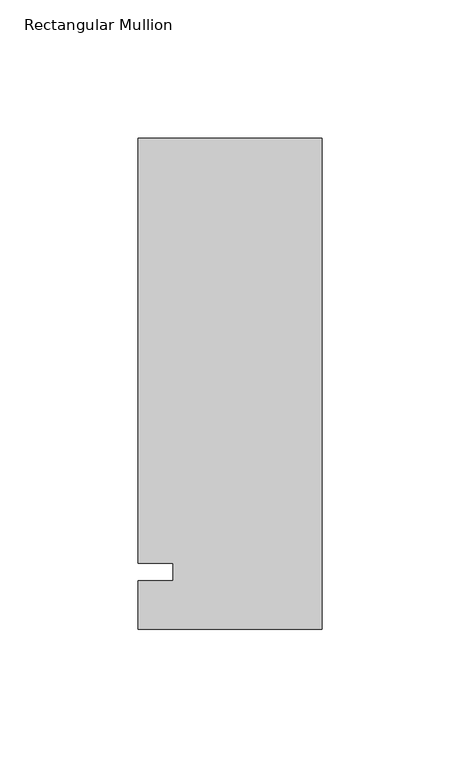
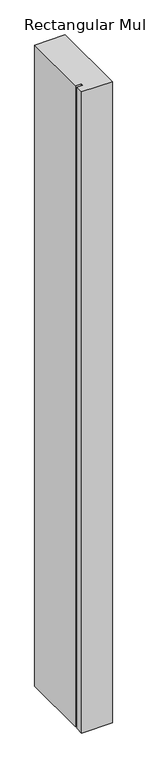
"""IFC4 building model written with IfcOpenShell, lengths in millimetres: member geometry, Rectangular Mullion."""

from ifc_helpers import new_model, si_unit, frame, origin, place, context, project, spatial, polyline, outline, extrude, source, transform, mapped, element, save


def rectangular_mullion_051671e0(model_context):
    return source(origin(), model_context, "Body", "SweptSolid", [
        extrude(outline(polyline([(-66.675, 157.1625), (0.0, 157.1625), (0.0, -20.6375), (-66.675, -20.6375), (-66.675, -3.175), (-53.9732296, -3.175), (-53.9732296, 3.175), (-66.675, 3.175), (-66.675, 157.1625)])), frame((0.0, 0.0, -1478.28), z_axis=(0.0, 0.0, 1.0), x_axis=(1.0, 0.0, 0.0)), (0.0, 0.0, 1.0), 1478.28),
    ])


if __name__ == "__main__":
    model = new_model("IFC4")
    model_context = context("Model", 3, world=origin())
    ifc_project = project(units=[si_unit("LENGTHUNIT", "METRE", prefix="MILLI")], contexts=[model_context])
    site = spatial("IfcSite", under=ifc_project)
    building = spatial("IfcBuilding", under=site)
    placement = place(None, origin())
    rectangular_mullion_shape = rectangular_mullion_051671e0(model_context)
    element("IfcMember", 1, ObjectType="Rectangular Mullion", at=placement, inside=building, context=model_context, shape_type="MappedRepresentation", body=[
        mapped(rectangular_mullion_shape, transform((0.0, 0.0, 0.0), x_axis=(1.0, 0.0, 0.0), y_axis=(0.0, 1.0, 0.0), z_axis=(0.0, 0.0, 1.0))),
    ])
    save(model, "model.ifc")
